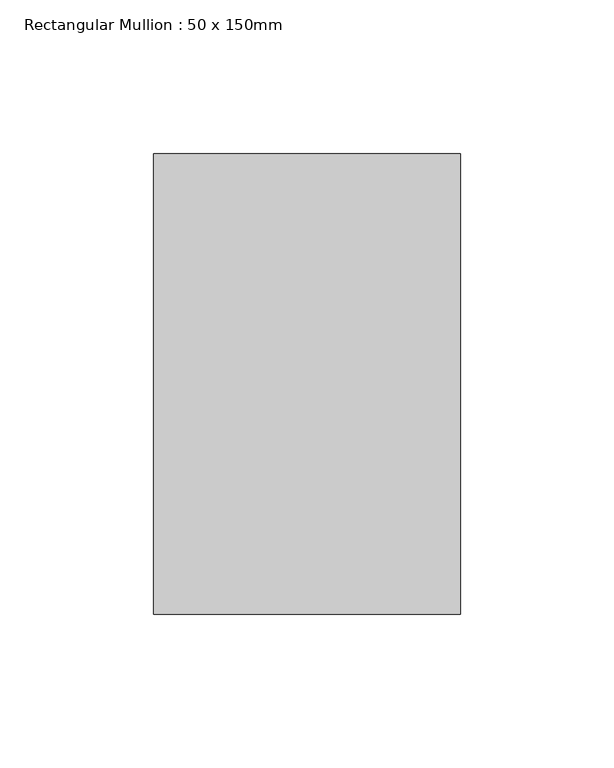
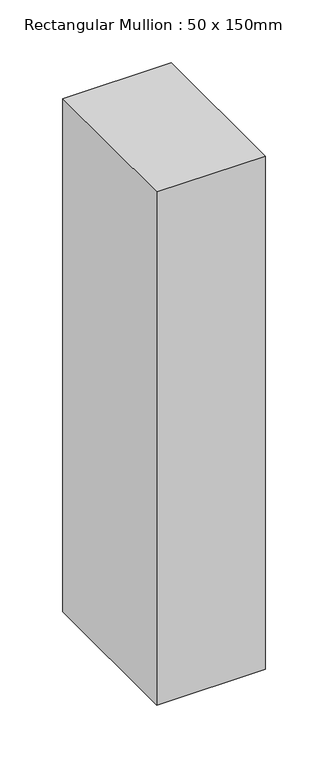
"""IFC4 building model written with IfcOpenShell, lengths in millimetres: member geometry, Rectangular Mullion : 50 x 150mm."""

from ifc_helpers import new_model, si_unit, frame, origin, place, context, project, spatial, polyline, outline, extrude, source, transform, mapped, element, save


def rectangular_mullion_50_x_150mm_b313a664(model_context):
    return source(origin(), model_context, "Body", "SweptSolid", [
        extrude(outline(polyline([(50.0, 75.0), (50.0, -75.0), (-50.0, -75.0), (-50.0, 75.0), (50.0, 75.0)])), frame((0.0, 0.0, -500.0), z_axis=(0.0, 0.0, 1.0), x_axis=(1.0, 0.0, 0.0)), (0.0, 0.0, 1.0), 500.0),
    ])


if __name__ == "__main__":
    model = new_model("IFC4")
    model_context = context("Model", 3, world=origin())
    ifc_project = project(units=[si_unit("LENGTHUNIT", "METRE", prefix="MILLI")], contexts=[model_context])
    site = spatial("IfcSite", under=ifc_project)
    building = spatial("IfcBuilding", under=site)
    placement = place(None, origin())
    rectangular_mullion_50_x_150mm_shape = rectangular_mullion_50_x_150mm_b313a664(model_context)
    element("IfcMember", 1, ObjectType="Rectangular Mullion : 50 x 150mm", at=placement, inside=building, context=model_context, shape_type="MappedRepresentation", body=[
        mapped(rectangular_mullion_50_x_150mm_shape, transform((0.0, 0.0, 0.0), x_axis=(1.0, 0.0, 0.0), y_axis=(0.0, 1.0, 0.0), z_axis=(0.0, 0.0, 1.0))),
    ])
    save(model, "model.ifc")
